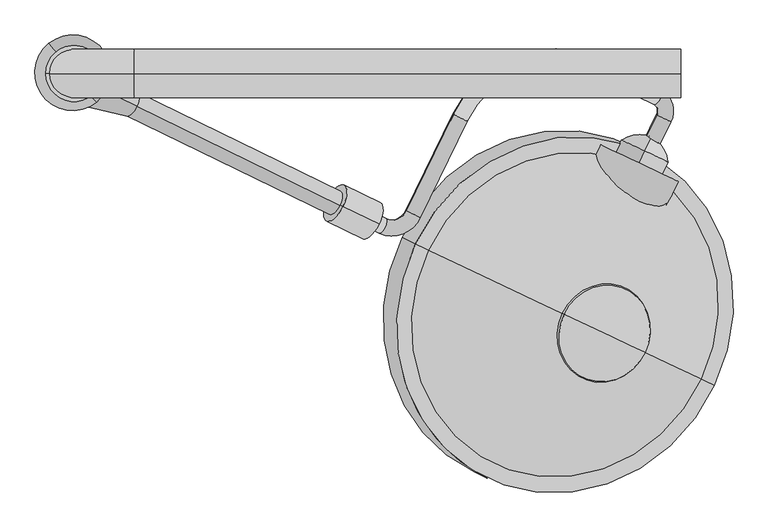
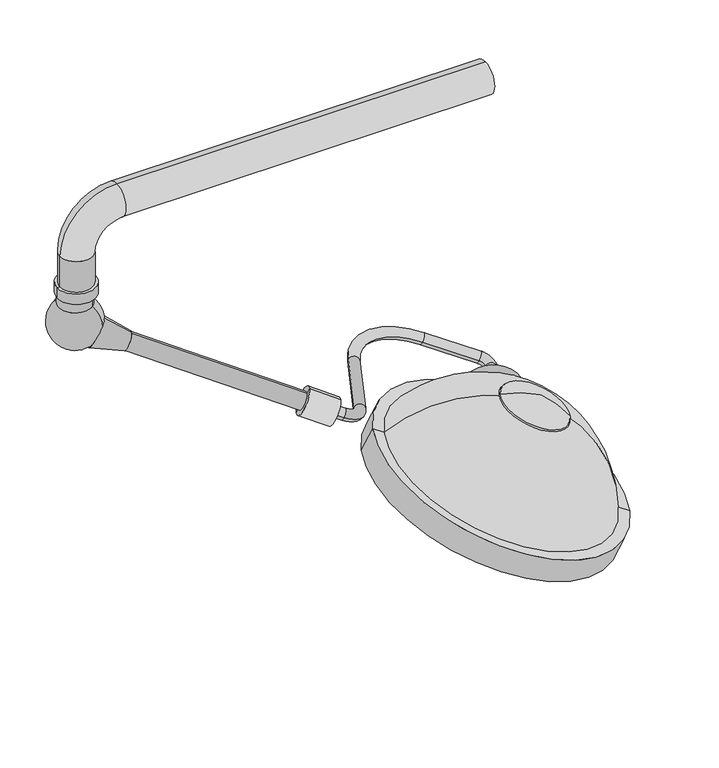
"""IFC4 building model written with IfcOpenShell, lengths in millimetres: proxy geometry."""

from ifc_helpers import new_model, si_unit, point, frame, frame_2d, origin, origin_2d, place, context, project, spatial, polyline, circle_curve, ellipse_curve, trimmed, segment, composite_curve, outline, extrude, source, transform, mapped, element, save
from ifc_brep_helpers import plane_surface, cylinder_surface, revolved_surface, advanced_brep


def specialty_equipment_6a3b879f(model_context):
    return source(origin(), model_context, "Body", "SolidModel", [
        advanced_brep(
        [(-51.3241797, 670.2413617, 1699.7604265), (-72.1798458, 680.4133498, 1710.0915373), (-30.6483179, 712.6331606, 1699.7604265), (-51.503984, 722.8051486, 1710.0915373), (-56.3645035, 739.305827, 1715.2570926), (-45.2298764, 762.1351958, 1715.2570926), (-148.7448243, 812.6228093, 1766.5344952), (-159.8794514, 789.7934405, 1766.5344952), (-351.8212111, 713.8491561, 1828.5211596), (-372.6768772, 724.0211441, 1838.8522704), (-446.9378356, 571.7636159, 1838.8522704), (-426.0821694, 561.5916279, 1828.5211596), (-490.062756, 536.2768664, 1849.1833811), (-478.9281288, 559.1062352, 1849.1833811), (-557.8921303, 597.619552, 1888.2991704), (-569.0267574, 574.7901832, 1888.2991704)],
        [
            (0, 1, circle_curve(frame((-61.7520127, 675.3273558, 1704.9259819), z_axis=(-0.43837114678908723, -0.8987940462991623, 0.0), x_axis=(-0.8210892183528129, 0.40047196991074896, 0.4067366430758003)), 12.7)),
            (1, 0, circle_curve(frame((-61.7520127, 675.3273558, 1704.9259819), z_axis=(-0.43837114678908723, -0.8987940462991623, 0.0), x_axis=(-0.8210892183528129, 0.40047196991074896, 0.4067366430758003)), 12.7)),
            (0, 2),
            (2, 3, circle_curve(frame((-41.0761509, 717.7191546, 1704.9259819), z_axis=(-0.43837114678908723, -0.8987940462991623, 0.0), x_axis=(-0.8210892183528129, 0.40047196991074896, 0.4067366430758003)), 12.7)),
            (3, 1),
            (3, 2, circle_curve(frame((-41.0761509, 717.7191546, 1704.9259819), z_axis=(-0.43837114678908723, -0.8987940462991623, 0.0), x_axis=(-0.8210892183528129, 0.40047196991074896, 0.4067366430758003)), 12.7)),
            (4, 3, circle_curve(frame((-61.9318171, 727.8911427, 1715.2570926), z_axis=(-0.36557247320823727, 0.17830160866628114, -0.9135454576426009), x_axis=(0.8210892183528128, -0.400471969910749, -0.4067366430758004)), 12.7)),
            (2, 5, circle_curve(frame((-61.9318171, 727.8911427, 1715.2570926), z_axis=(0.36557247320823727, -0.17830160866628114, 0.9135454576426009), x_axis=(0.8210892183528128, -0.400471969910749, -0.4067366430758004)), 38.1)),
            (5, 4, circle_curve(frame((-50.79719, 750.7205114, 1715.2570926), z_axis=(0.8210892183528112, -0.4004719699107522, -0.4067366430758003), x_axis=(-0.4383711467890902, -0.8987940462991607, 0.0)), 12.7)),
            (4, 5, circle_curve(frame((-50.79719, 750.7205114, 1715.2570926), z_axis=(0.8210892183528081, -0.40047196991075856, -0.4067366430758003), x_axis=(-0.43837114678909606, -0.8987940462991579, 0.0)), 12.7)),
            (5, 6),
            (6, 7, circle_curve(frame((-154.3121378, 801.2081249, 1766.5344952), z_axis=(0.821089218352813, -0.40047196991074857, -0.40673664307580043), x_axis=(-0.4383711467890869, -0.8987940462991624, 0.0)), 12.7)),
            (7, 4),
            (7, 6, circle_curve(frame((-154.3121378, 801.2081249, 1766.5344952), z_axis=(0.821089218352813, -0.40047196991074857, -0.40673664307580043), x_axis=(-0.4383711467890869, -0.8987940462991624, 0.0)), 12.7)),
            (8, 7, circle_curve(frame((-226.6872142, 652.8172279, 1766.5344952), z_axis=(-0.36557247320823727, 0.17830160866628114, -0.9135454576426009), x_axis=(0.43837114678909317, 0.8987940462991594, 0.0)), 152.4)),
            (6, 9, circle_curve(frame((-226.6872142, 652.8172279, 1766.5344952), z_axis=(0.36557247320823727, -0.17830160866628114, 0.9135454576426009), x_axis=(0.43837114678909317, 0.8987940462991594, 0.0)), 177.8)),
            (9, 8, circle_curve(frame((-362.2490441, 718.9351501, 1833.686715), z_axis=(0.4383711467890851, 0.8987940462991633, 0.0), x_axis=(0.821089218352814, -0.40047196991074674, -0.40673664307580043)), 12.7)),
            (8, 9, circle_curve(frame((-362.2490441, 718.9351501, 1833.686715), z_axis=(0.4383711467890848, 0.8987940462991635, 0.0), x_axis=(0.8210892183528142, -0.4004719699107463, -0.40673664307580043)), 12.7)),
            (9, 10),
            (10, 11, circle_curve(frame((-436.5100025, 566.6776219, 1833.686715), z_axis=(0.43837114678908545, 0.898794046299163, 0.0), x_axis=(0.8210892183528139, -0.400471969910747, -0.4067366430758005)), 12.7)),
            (11, 8),
            (11, 10, circle_curve(frame((-436.5100025, 566.6776219, 1833.686715), z_axis=(0.43837114678908545, 0.898794046299163, 0.0), x_axis=(0.8210892183528139, -0.400471969910747, -0.4067366430758005)), 12.7)),
            (12, 11, circle_curve(frame((-467.7935017, 581.935604, 1849.1833811), z_axis=(0.36557247320823727, -0.17830160866628114, 0.9135454576426009), x_axis=(0.8210892183528169, -0.4004719699107408, -0.4067366430758004)), 50.8)),
            (10, 13, circle_curve(frame((-467.7935017, 581.935604, 1849.1833811), z_axis=(-0.36557247320823727, 0.17830160866628114, -0.9135454576426009), x_axis=(0.8210892183528169, -0.4004719699107408, -0.4067366430758004)), 25.4)),
            (13, 12, circle_curve(frame((-484.4954424, 547.6915508, 1849.1833811), z_axis=(0.8210892183528147, -0.40047196991074524, -0.4067366430758004), x_axis=(-0.4383711467890839, -0.8987940462991639, 0.0)), 12.7)),
            (12, 13, circle_curve(frame((-484.4954424, 547.6915508, 1849.1833811), z_axis=(0.8210892183528171, -0.40047196991074047, -0.4067366430758004), x_axis=(-0.4383711467890795, -0.898794046299166, 0.0)), 12.7)),
            (14, 15, circle_curve(frame((-563.4594439, 586.2048676, 1888.2991704), z_axis=(-0.821089218352815, 0.40047196991074563, 0.4067366430757997), x_axis=(-0.438371146789084, -0.8987940462991637, 0.0)), 12.7)),
            (15, 14, circle_curve(frame((-563.4594439, 586.2048676, 1888.2991704), z_axis=(-0.821089218352815, 0.40047196991074563, 0.4067366430757997), x_axis=(-0.438371146789084, -0.8987940462991637, 0.0)), 12.7)),
            (13, 14),
            (15, 12),
        ],
        [
            plane_surface(frame((-671.2712366, 972.6097446, 181.7710423), z_axis=(-0.43837114678908734, -0.8987940462991622, 0.0), x_axis=(0.3655724732082375, -0.17830160866628114, 0.9135454576426008))),
            cylinder_surface(frame((-61.7520127, 675.3273558, 1704.9259819), z_axis=(-0.43837114678908723, -0.8987940462991623, 0.0), x_axis=(-0.8210892183528129, 0.40047196991074896, 0.4067366430758003)), 12.7),
            revolved_surface(trimmed(ellipse_curve(frame((-41.0761509, 717.7191546, 1704.9259819), z_axis=(-0.43837114678908723, -0.8987940462991622, 0.0), x_axis=(-0.8210892183528128, 0.4004719699107489, 0.40673664307580043)), 12.7, 12.7), [point((-30.6483179, 712.6331606, 1699.7604265))], [point((-51.503984, 722.8051486, 1710.0915373))], True, "CARTESIAN"), (-671.451041, 1025.1735315, 192.1021531), (0.36557247320823727, -0.17830160866628114, 0.9135454576426009)),
            revolved_surface(trimmed(ellipse_curve(frame((-41.0761509, 717.7191546, 1704.9259819), z_axis=(-0.43837114678908723, -0.8987940462991622, 0.0), x_axis=(-0.8210892183528128, 0.4004719699107489, 0.40673664307580043)), 12.7, 12.7), [point((-51.503984, 722.8051486, 1710.0915373))], [point((-30.6483179, 712.6331606, 1699.7604265))], True, "CARTESIAN"), (-671.451041, 1025.1735315, 192.1021531), (0.36557247320823727, -0.17830160866628114, 0.9135454576426009)),
            cylinder_surface(frame((-50.79719, 750.7205114, 1715.2570926), z_axis=(0.821089218352813, -0.40047196991074857, -0.40673664307580043), x_axis=(-0.4383711467890869, -0.8987940462991624, 0.0)), 12.7),
            revolved_surface(trimmed(ellipse_curve(frame((-154.3121378, 801.2081249, 1766.5344952), z_axis=(0.8210892183528098, -0.40047196991075545, -0.4067366430758005), x_axis=(-0.4383711467890932, -0.8987940462991594, 0.0)), 12.7, 12.7), [point((-148.7448243, 812.6228093, 1766.5344952))], [point((-159.8794514, 789.7934405, 1766.5344952))], True, "CARTESIAN"), (-836.2064381, 950.0996167, 243.3795556), (0.36557247320823727, -0.17830160866628114, 0.9135454576426009)),
            revolved_surface(trimmed(ellipse_curve(frame((-154.3121378, 801.2081249, 1766.5344952), z_axis=(0.8210892183528098, -0.40047196991075545, -0.4067366430758005), x_axis=(-0.4383711467890932, -0.8987940462991594, 0.0)), 12.7, 12.7), [point((-159.8794514, 789.7934405, 1766.5344952))], [point((-148.7448243, 812.6228093, 1766.5344952))], True, "CARTESIAN"), (-836.2064381, 950.0996167, 243.3795556), (0.36557247320823727, -0.17830160866628114, 0.9135454576426009)),
            cylinder_surface(frame((-362.2490441, 718.9351501, 1833.686715), z_axis=(0.43837114678908556, 0.8987940462991633, 0.0), x_axis=(0.8210892183528139, -0.400471969910747, -0.4067366430758005)), 12.7),
            revolved_surface(trimmed(ellipse_curve(frame((-436.5100025, 566.6776219, 1833.686715), z_axis=(0.43837114678907957, 0.898794046299166, 0.0), x_axis=(0.821089218352817, -0.4004719699107405, -0.40673664307580043)), 12.7, 12.7), [point((-446.9378356, 571.7636159, 1838.8522704))], [point((-426.0821694, 561.5916279, 1828.5211596))], True, "CARTESIAN"), (-1077.3127256, 879.2179928, 326.0284415), (-0.36557247320823727, 0.17830160866628114, -0.9135454576426009)),
            revolved_surface(trimmed(ellipse_curve(frame((-436.5100025, 566.6776219, 1833.686715), z_axis=(0.43837114678907957, 0.898794046299166, 0.0), x_axis=(0.821089218352817, -0.4004719699107405, -0.40673664307580043)), 12.7, 12.7), [point((-426.0821694, 561.5916279, 1828.5211596))], [point((-446.9378356, 571.7636159, 1838.8522704))], True, "CARTESIAN"), (-1077.3127256, 879.2179928, 326.0284415), (-0.36557247320823727, 0.17830160866628114, -0.9135454576426009)),
            plane_surface(frame((-1172.9786678, 883.4872565, 365.1442308), z_axis=(-0.821089218352815, 0.40047196991074574, 0.4067366430757996), x_axis=(0.3655724732082366, -0.1783016086662806, 0.9135454576426013))),
            cylinder_surface(frame((-484.4954424, 547.6915508, 1849.1833811), z_axis=(0.8210892183528148, -0.4004719699107455, -0.4067366430757996), x_axis=(-0.438371146789084, -0.8987940462991637, 0.0)), 12.7),
        ],
        [
            (0, [[1, 2]]),
            (1, [[-1, 3, 4, 5]]),
            (1, [[-2, -5, 6, -3]]),
            (2, [[7, -4, 8, 9]]),
            (3, [[-8, -6, -7, 10]]),
            (4, [[-9, 11, 12, 13]]),
            (4, [[-10, -13, 14, -11]]),
            (5, [[15, -12, 16, 17]]),
            (6, [[-16, -14, -15, 18]]),
            (7, [[-17, 19, 20, 21]]),
            (7, [[-18, -21, 22, -19]]),
            (8, [[23, -20, 24, 25]]),
            (9, [[-24, -22, -23, 26]]),
            (10, [[27, 28]]),
            (11, [[-25, 29, -28, 30]]),
            (11, [[-26, -30, -27, -29]]),
        ],
    ),
        advanced_brep(
        [(-70.9853036, 666.0888501, 1662.093259), (-70.9853036, 666.0888501, 1743.3108067), (-79.9012214, 647.2586456, 1743.3108067), (-79.9012214, 647.2586456, 1662.093259), (-59.9841849, 689.3229491, 1702.7020328), (-79.9012214, 647.2586456, 1702.7020328)],
        [
            (0, 1, circle_curve(frame((-70.9853036, 666.0888501, 1702.7020328), z_axis=(-0.4279431442574036, -0.9038056568107367, 0.0), x_axis=(0.0, 0.0, 1.0)), 40.6087738)),
            (1, 2),
            (2, 3, circle_curve(frame((-79.9012214, 647.2586456, 1702.7020328), z_axis=(0.4279431442574036, 0.9038056568107367, 0.0), x_axis=(0.0, 0.0, 1.0)), 40.6087738)),
            (3, 0),
            (1, 0, circle_curve(frame((-70.9853036, 666.0888501, 1702.7020328), z_axis=(-0.4279431442574036, -0.9038056568107367, 0.0), x_axis=(0.0, 0.0, 1.0)), 40.6087738)),
            (3, 2, circle_curve(frame((-79.9012214, 647.2586456, 1702.7020328), z_axis=(0.4279431442574036, 0.9038056568107367, 0.0), x_axis=(0.0, 0.0, 1.0)), 40.6087738)),
            (4, 1, circle_curve(frame((-83.4268503, 639.8126019, 1696.4653606), z_axis=(0.9038056568107367, -0.42794314425740376, 0.0), x_axis=(-0.42794314425740393, -0.9038056568107365, 0.0)), 55.1337385)),
            (0, 4, circle_curve(frame((-83.4268503, 639.8126019, 1708.9387051), z_axis=(0.9038056568107369, -0.4279431442574031, 0.0), x_axis=(-0.42794314425740326, -0.9038056568107368, 0.0)), 55.1337385)),
            (2, 5),
            (5, 3),
        ],
        [
            cylinder_surface(frame((-79.9012214, 647.2586456, 1702.7020328), z_axis=(0.4279431442574036, 0.9038056568107367, 0.0), x_axis=(0.0, 0.0, 1.0)), 40.6087738),
            revolved_surface(trimmed(ellipse_curve(frame((-83.4268503, 639.8126019, 1696.4653606), z_axis=(-0.9038056568107367, 0.42794314425740376, 0.0), x_axis=(-0.42794314425740393, -0.9038056568107365, 0.0)), 55.1337385, 55.1337385), [point((-70.9853036, 666.0888501, 1743.3108067))], [point((-59.9841849, 689.3229491, 1702.7020328))], True, "CARTESIAN"), (-79.9012214, 647.2586456, 1702.7020328), (0.4279431442574036, 0.9038056568107367, 0.0)),
            revolved_surface(trimmed(ellipse_curve(frame((-83.4268503, 639.8126019, 1696.4653606), z_axis=(-0.9038056568107365, 0.42794314425740393, 0.0), x_axis=(-0.4279431442574041, -0.9038056568107364, 0.0)), 55.1337385, 55.1337385), [point((-70.9853036, 666.0888501, 1743.3108067))], [point((-59.9841849, 689.3229491, 1702.7020328))], True, "CARTESIAN"), (-79.9012214, 647.2586456, 1702.7020328), (0.4279431442574036, 0.9038056568107367, 0.0)),
            plane_surface(frame((-79.9012214, 647.2586456, 1702.7020328), z_axis=(-0.42794314425740343, -0.9038056568107368, 0.0), x_axis=(0.0, 0.0, 1.0))),
        ],
        [
            (0, [[1, 2, 3, 4]]),
            (0, [[5, -4, 6, -2]]),
            (1, [[7, -1, 8]]),
            (2, [[-8, -5, -7]]),
            (3, [[-3, 9, 10]]),
            (3, [[-6, -10, -9]]),
        ],
    ),
        advanced_brep(
        [(-198.2891405, 408.2286063, 1882.6946884), (-70.3964825, 347.6726828, 1819.6927814), (-123.8504881, 372.982632, 1877.268084), (-200.9060117, 409.4676693, 1880.0876662), (-70.3964825, 347.6726828, 1815.7966478), (-129.8474904, 375.822154, 1862.3650044)],
        [
            (0, 1, circle_curve(frame((-134.3428115, 377.9506446, 1851.1937349), z_axis=(0.3676108788441171, -0.17406015792255894, 0.9135454576426013), x_axis=(0.8256675523711364, -0.3909455155656434, -0.4067366430757995)), 77.4480344)),
            (1, 2, circle_curve(frame((-222.0261973, 419.4678707, 1706.5205002), z_axis=(-0.42794314425740376, -0.9038056568107369, 0.0), x_axis=(-0.9038056568107369, 0.4279431442574038, 0.0)), 202.3711557)),
            (2, 0, circle_curve(frame((-172.8421817, 396.1797201, 1682.2916913), z_axis=(-0.427943144257401, -0.9038056568107382, 0.0), x_axis=(0.604764027172337, -0.2863498556040709, -0.7431448254773931)), 202.3711557)),
            (1, 0, circle_curve(frame((-134.3428115, 377.9506446, 1851.1937349), z_axis=(0.3676108788441171, -0.17406015792255894, 0.9135454576426013), x_axis=(0.8256675523711364, -0.3909455155656434, -0.4067366430757995)), 77.4480344)),
            (3, 4, circle_curve(frame((-135.6512471, 378.5701761, 1847.942157), z_axis=(0.3676108788441171, -0.17406015792255894, 0.9135454576426013), x_axis=(0.8256675523711364, -0.3909455155656434, -0.4067366430757995)), 79.0327347)),
            (4, 1),
            (0, 3),
            (4, 3, circle_curve(frame((-135.6512471, 378.5701761, 1847.942157), z_axis=(0.3676108788441171, -0.17406015792255894, 0.9135454576426013), x_axis=(0.8256675523711364, -0.3909455155656434, -0.4067366430757995)), 79.0327347)),
            (5, 4, circle_curve(frame((-246.9439851, 431.2661997, 1609.6195886), z_axis=(0.42794314425740376, 0.9038056568107369, 0.0), x_axis=(-0.9038056568107369, 0.4279431442574038, 0.0)), 284.0173877)),
            (3, 5, circle_curve(frame((-221.2532479, 419.1018867, 1596.9639329), z_axis=(0.427943144257401, 0.9038056568107382, 0.0), x_axis=(0.604764027172337, -0.2863498556040709, -0.7431448254773931)), 284.0173877)),
        ],
        [
            revolved_surface(trimmed(ellipse_curve(frame((-222.0261973, 419.4678707, 1706.5205002), z_axis=(0.42794314425740376, 0.9038056568107369, 0.0), x_axis=(-0.9038056568107369, 0.4279431442574038, 0.0)), 202.3711557, 202.3711557), [point((-123.8504881, 372.982632, 1877.268084))], [point((-70.3964825, 347.6726828, 1819.6927814))], True, "CARTESIAN"), (-169.8512246, 394.7635311, 1762.9521965), (-0.3676108788441171, 0.17406015792255894, -0.9135454576426013)),
            revolved_surface(trimmed(ellipse_curve(frame((-222.0261973, 419.4678707, 1706.5205002), z_axis=(0.42794314425740376, 0.9038056568107369, 0.0), x_axis=(-0.9038056568107369, 0.42794314425740376, 0.0)), 202.3711557, 202.3711557), [point((-123.8504881, 372.982632, 1877.268084))], [point((-70.3964825, 347.6726828, 1819.6927814))], True, "CARTESIAN"), (-169.8512246, 394.7635311, 1762.9521965), (-0.3676108788441171, 0.17406015792255894, -0.9135454576426013)),
            revolved_surface(polyline([(-70.3964825, 347.6726828, 1819.6927814), (-70.3964825, 347.6726828, 1815.7966478)]), (-169.8512246, 394.7635311, 1762.9521965), (-0.3676108788441171, 0.17406015792255894, -0.9135454576426013)),
            revolved_surface(trimmed(ellipse_curve(frame((-246.9439851, 431.2661997, 1609.6195886), z_axis=(-0.42794314425740376, -0.9038056568107369, 0.0), x_axis=(-0.9038056568107369, 0.4279431442574038, 0.0)), 284.0173877, 284.0173877), [point((-70.3964825, 347.6726828, 1815.7966478))], [point((-129.8474904, 375.822154, 1862.3650044))], True, "CARTESIAN"), (-169.8512246, 394.7635311, 1762.9521965), (-0.3676108788441171, 0.17406015792255894, -0.9135454576426013)),
            revolved_surface(trimmed(ellipse_curve(frame((-246.9439851, 431.2661997, 1609.6195886), z_axis=(-0.42794314425740376, -0.9038056568107369, 0.0), x_axis=(-0.9038056568107369, 0.42794314425740376, 0.0)), 284.0173877, 284.0173877), [point((-70.3964825, 347.6726828, 1815.7966478))], [point((-129.8474904, 375.822154, 1862.3650044))], True, "CARTESIAN"), (-169.8512246, 394.7635311, 1762.9521965), (-0.3676108788441171, 0.17406015792255894, -0.9135454576426013)),
        ],
        [
            (0, [[1, 2, 3]]),
            (1, [[4, -3, -2]]),
            (2, [[5, 6, -1, 7]]),
            (2, [[8, -7, -4, -6]]),
            (3, [[9, -5, 10]]),
            (4, [[-10, -8, -9]]),
        ],
    ),
        advanced_brep(
        [(-266.4821549, 440.5173321, 1522.8158117), (-276.9681328, 445.4823401, 1527.9813671), (-255.996177, 435.552324, 1517.6502563), (-263.0629437, 438.898369, 1507.6425198), (-278.9613242, 446.4260968, 1515.4743086), (-271.0121339, 442.6622329, 1511.5584142)],
        [
            (0, 1),
            (1, 2, circle_curve(frame((-266.4821549, 440.5173321, 1522.8158117), z_axis=(0.36761087884411703, -0.17406015792255897, 0.9135454576426013), x_axis=(-0.8256675523711364, 0.3909455155656434, 0.40673664307579943)), 12.7)),
            (2, 0),
            (2, 1, circle_curve(frame((-266.4821549, 440.5173321, 1522.8158117), z_axis=(0.36761087884411703, -0.17406015792255897, 0.9135454576426013), x_axis=(-0.8256675523711364, 0.3909455155656434, 0.40673664307579943)), 12.7)),
            (3, 4, circle_curve(frame((-271.0121339, 442.6622329, 1511.5584142), z_axis=(-0.36761087884411703, 0.17406015792255897, -0.9135454576426013), x_axis=(-0.8256675523711364, 0.3909455155656434, 0.40673664307579943)), 9.6275919)),
            (4, 5),
            (5, 3),
            (4, 3, circle_curve(frame((-271.0121339, 442.6622329, 1511.5584142), z_axis=(-0.36761087884411703, 0.17406015792255897, -0.9135454576426013), x_axis=(-0.8256675523711364, 0.3909455155656434, 0.40673664307579943)), 9.6275919)),
            (1, 4),
            (3, 2),
        ],
        [
            plane_surface(frame((-266.4821549, 440.5173321, 1522.8158117), z_axis=(0.36761087884411714, -0.1740601579225589, 0.9135454576426014), x_axis=(-0.8256675523711364, 0.3909455155656434, 0.40673664307579943))),
            plane_surface(frame((-271.0121339, 442.6622329, 1511.5584142), z_axis=(-0.36761087884411714, 0.1740601579225589, -0.9135454576426014), x_axis=(-0.8256675523711364, 0.3909455155656434, 0.40673664307579943))),
            revolved_surface(polyline([(-278.9613242, 446.4260968, 1515.4743086), (-276.9681328, 445.4823401, 1527.9813671)]), (-229.1328896, 422.83282, 1615.6320302), (0.36761087884411703, -0.17406015792255897, 0.9135454576426013)),
        ],
        [
            (0, [[1, 2, 3]]),
            (0, [[-3, 4, -1]]),
            (1, [[5, 6, 7]]),
            (1, [[8, -7, -6]]),
            (2, [[-2, 9, -5, 10]]),
            (2, [[-4, -10, -8, -9]]),
        ],
    ),
        advanced_brep(
        [(-229.1328896, 422.83282, 1615.6320302), (-244.8618565, 430.2803321, 1623.3803632), (-213.4039227, 415.385308, 1607.8836971), (-250.753188, 433.06982, 1515.0674786), (-282.2111217, 447.9648442, 1530.5641447), (-266.4821549, 440.5173321, 1522.8158117)],
        [
            (0, 1),
            (1, 2, circle_curve(frame((-229.1328896, 422.83282, 1615.6320302), z_axis=(0.36761087884411703, -0.17406015792255897, 0.9135454576426013), x_axis=(-0.8256675523711364, 0.3909455155656434, 0.40673664307579943)), 19.05)),
            (2, 0),
            (2, 1, circle_curve(frame((-229.1328896, 422.83282, 1615.6320302), z_axis=(0.36761087884411703, -0.17406015792255897, 0.9135454576426013), x_axis=(-0.8256675523711364, 0.3909455155656434, 0.40673664307579943)), 19.05)),
            (3, 4, circle_curve(frame((-266.4821549, 440.5173321, 1522.8158117), z_axis=(-0.36761087884411703, 0.17406015792255897, -0.9135454576426013), x_axis=(-0.8256675523711364, 0.3909455155656434, 0.40673664307579943)), 19.05)),
            (4, 5),
            (5, 3),
            (4, 3, circle_curve(frame((-266.4821549, 440.5173321, 1522.8158117), z_axis=(-0.36761087884411703, 0.17406015792255897, -0.9135454576426013), x_axis=(-0.8256675523711364, 0.3909455155656434, 0.40673664307579943)), 19.05)),
            (1, 4),
            (3, 2),
        ],
        [
            plane_surface(frame((-229.1328896, 422.83282, 1615.6320302), z_axis=(0.36761087884411714, -0.1740601579225589, 0.9135454576426014), x_axis=(-0.8256675523711364, 0.3909455155656434, 0.40673664307579943))),
            plane_surface(frame((-266.4821549, 440.5173321, 1522.8158117), z_axis=(-0.36761087884411714, 0.1740601579225589, -0.9135454576426014), x_axis=(-0.8256675523711364, 0.3909455155656434, 0.40673664307579943))),
            cylinder_surface(frame((-229.1328896, 422.83282, 1615.6320302), z_axis=(0.36761087884411703, -0.17406015792255897, 0.9135454576426013), x_axis=(-0.8256675523711364, 0.3909455155656434, 0.40673664307579943)), 19.05),
        ],
        [
            (0, [[1, 2, 3]]),
            (0, [[-3, 4, -1]]),
            (1, [[5, 6, 7]]),
            (1, [[8, -7, -6]]),
            (2, [[-2, 9, -5, 10]]),
            (2, [[-4, -10, -8, -9]]),
        ],
    ),
        advanced_brep(
        [(-222.1299023, 419.516974, 1633.0350712), (-258.830825, 436.8945022, 1651.1145149), (-185.4289796, 402.1394459, 1614.9556274), (-192.4319669, 405.4552919, 1597.5525864), (-265.8338123, 440.2103482, 1633.711474), (-229.1328896, 422.83282, 1615.6320302)],
        [
            (0, 1),
            (1, 2, circle_curve(frame((-222.1299023, 419.516974, 1633.0350712), z_axis=(0.3676108788441165, -0.1740601579225587, 0.9135454576426016), x_axis=(-0.8256675523711366, 0.3909455155656435, 0.4067366430757988)), 44.45)),
            (2, 0),
            (2, 1, circle_curve(frame((-222.1299023, 419.516974, 1633.0350712), z_axis=(0.3676108788441165, -0.1740601579225587, 0.9135454576426016), x_axis=(-0.8256675523711366, 0.3909455155656435, 0.4067366430757988)), 44.45)),
            (3, 4, circle_curve(frame((-229.1328896, 422.83282, 1615.6320302), z_axis=(-0.3676108788441165, 0.1740601579225587, -0.9135454576426016), x_axis=(-0.8256675523711366, 0.3909455155656435, 0.4067366430757988)), 44.45)),
            (4, 5),
            (5, 3),
            (4, 3, circle_curve(frame((-229.1328896, 422.83282, 1615.6320302), z_axis=(-0.3676108788441165, 0.1740601579225587, -0.9135454576426016), x_axis=(-0.8256675523711366, 0.3909455155656435, 0.4067366430757988)), 44.45)),
            (1, 4),
            (3, 2),
        ],
        [
            plane_surface(frame((-222.1299023, 419.516974, 1633.0350712), z_axis=(0.3676108788441166, -0.17406015792255863, 0.9135454576426016), x_axis=(-0.8256675523711366, 0.3909455155656435, 0.4067366430757988))),
            plane_surface(frame((-229.1328896, 422.83282, 1615.6320302), z_axis=(-0.3676108788441166, 0.17406015792255863, -0.9135454576426016), x_axis=(-0.8256675523711366, 0.3909455155656435, 0.4067366430757988))),
            cylinder_surface(frame((-222.1299023, 419.516974, 1633.0350712), z_axis=(0.3676108788441165, -0.1740601579225587, 0.9135454576426016), x_axis=(-0.8256675523711366, 0.3909455155656435, 0.4067366430757988)), 44.45),
        ],
        [
            (0, [[1, 2, 3]]),
            (0, [[-3, 4, -1]]),
            (1, [[5, 6, 7]]),
            (1, [[8, -7, -6]]),
            (2, [[-2, 9, -5, 10]]),
            (2, [[-4, -10, -8, -9]]),
        ],
    ),
        advanced_brep(
        [(-217.8648709, 417.4975233, 1643.6340505), (-265.0517715, 439.8400595, 1666.8790497), (-170.6779703, 395.1549871, 1620.3890514), (-179.2080332, 399.1938885, 1611.8910927), (-265.0517715, 439.8400595, 1654.1790497), (-222.1299023, 419.516974, 1633.0350712)],
        [
            (0, 1),
            (1, 2, circle_curve(frame((-217.8648709, 417.4975233, 1643.6340505), z_axis=(0.36761087884411725, -0.17406015792255908, 0.9135454576426012), x_axis=(-0.8256675523711363, 0.39094551556564333, 0.4067366430757997)), 57.15)),
            (2, 0),
            (2, 1, circle_curve(frame((-217.8648709, 417.4975233, 1643.6340505), z_axis=(0.36761087884411725, -0.17406015792255908, 0.9135454576426012), x_axis=(-0.8256675523711363, 0.39094551556564333, 0.4067366430757997)), 57.15)),
            (3, 4, circle_curve(frame((-222.1299023, 419.516974, 1633.0350712), z_axis=(-0.36761087884411725, 0.17406015792255908, -0.9135454576426012), x_axis=(-0.8256675523711363, 0.39094551556564333, 0.4067366430757997)), 51.9844446)),
            (4, 5),
            (5, 3),
            (4, 3, circle_curve(frame((-222.1299023, 419.516974, 1633.0350712), z_axis=(-0.36761087884411725, 0.17406015792255908, -0.9135454576426012), x_axis=(-0.8256675523711363, 0.39094551556564333, 0.4067366430757997)), 51.9844446)),
            (1, 4),
            (3, 2),
        ],
        [
            plane_surface(frame((-217.8648709, 417.4975233, 1643.6340505), z_axis=(0.36761087884411736, -0.17406015792255902, 0.9135454576426013), x_axis=(-0.8256675523711363, 0.39094551556564333, 0.4067366430757997))),
            plane_surface(frame((-222.1299023, 419.516974, 1633.0350712), z_axis=(-0.36761087884411736, 0.17406015792255902, -0.9135454576426013), x_axis=(-0.8256675523711363, 0.39094551556564333, 0.4067366430757997))),
            revolved_surface(polyline([(-265.0517715, 439.8400595, 1654.1790497), (-265.0517715, 439.8400595, 1666.8790497)]), (-217.8648709, 417.4975233, 1643.6340505), (0.36761087884411725, -0.17406015792255908, 0.9135454576426012)),
        ],
        [
            (0, [[1, 2, 3]]),
            (0, [[-3, 4, -1]]),
            (1, [[5, 6, 7]]),
            (1, [[8, -7, -6]]),
            (2, [[-2, 9, -5, 10]]),
            (2, [[-4, -10, -8, -9]]),
        ],
    ),
        extrude(outline(composite_curve([segment(polyline([(-25.1937137, -4.6953206), (31.6273953, -132.3176211)]), True, "CONTINUOUS"), segment(trimmed(circle_curve(frame_2d((0.0, -69.9387006)), 69.9387006), [point((31.6273953, -132.3176211))], [point((-25.1937137, -4.6953206))], False, "CARTESIAN"), True, "CONTINUOUS")], self_intersect=False)), frame((-180.69854, 601.7570747, 1699.0600142), z_axis=(0.42794314425740343, 0.9038056568107368, 0.0), x_axis=(0.0, 0.0, -1.0)), (0.0, 0.0, 1.0), 84.2600986),
        advanced_brep(
        [(-411.8184564, 509.3326503, 1801.7370584), (18.1066381, 305.7673203, 1589.9492884), (-129.8408016, 375.8189869, 1862.3816266), (-406.0906916, 506.6206096, 1798.9154726), (12.3788733, 308.479361, 1592.7708742), (-132.17953, 376.9263519, 1856.5696802)],
        [
            (0, 1, circle_curve(frame((-196.8559092, 407.5499853, 1695.8431734), z_axis=(0.3676108788441172, -0.17406015792255902, 0.9135454576426013), x_axis=(0.8256675523711364, -0.3909455155656434, -0.4067366430757996)), 260.35)),
            (1, 2, circle_curve(frame((-256.5953432, 435.8360234, 1592.718951), z_axis=(-0.4279431442574038, -0.9038056568107369, 0.0), x_axis=(-0.9038056568107368, 0.4279431442574038, 0.0)), 303.9518334)),
            (2, 0, circle_curve(frame((-226.1466857, 421.4188817, 1577.7194701), z_axis=(-0.42794314425740104, -0.9038056568107381, 0.0), x_axis=(0.6047640271723369, -0.28634985560407084, -0.7431448254773931)), 303.9518334)),
            (1, 0, circle_curve(frame((-196.8559092, 407.5499853, 1695.8431734), z_axis=(0.3676108788441172, -0.17406015792255902, 0.9135454576426013), x_axis=(0.8256675523711364, -0.3909455155656434, -0.4067366430757996)), 260.35)),
            (3, 4, circle_curve(frame((-196.8559092, 407.5499853, 1695.8431734), z_axis=(0.3676108788441172, -0.17406015792255902, 0.9135454576426013), x_axis=(0.8256675523711364, -0.3909455155656434, -0.4067366430757996)), 253.412868)),
            (4, 1),
            (0, 3),
            (4, 3, circle_curve(frame((-196.8559092, 407.5499853, 1695.8431734), z_axis=(0.3676108788441172, -0.17406015792255902, 0.9135454576426013), x_axis=(0.8256675523711364, -0.3909455155656434, -0.4067366430757996)), 253.412868)),
            (5, 4, circle_curve(frame((-256.5953432, 435.8360234, 1592.718951), z_axis=(0.4279431442574038, 0.9038056568107369, 0.0), x_axis=(-0.9038056568107368, 0.4279431442574038, 0.0)), 297.6018334)),
            (3, 5, circle_curve(frame((-226.1466857, 421.4188817, 1577.7194701), z_axis=(0.42794314425740104, 0.9038056568107381, 0.0), x_axis=(0.6047640271723369, -0.28634985560407084, -0.7431448254773931)), 297.6018334)),
        ],
        [
            revolved_surface(trimmed(ellipse_curve(frame((-256.5953432, 435.8360234, 1592.718951), z_axis=(0.4279431442574038, 0.9038056568107369, 0.0), x_axis=(-0.9038056568107368, 0.4279431442574038, 0.0)), 303.9518334, 303.9518334), [point((-129.8408016, 375.8189869, 1862.3816266))], [point((18.1066381, 305.7673203, 1589.9492884))], True, "CARTESIAN"), (-196.8559092, 407.5499853, 1695.8431734), (-0.3676108788441172, 0.17406015792255902, -0.9135454576426013)),
            revolved_surface(trimmed(ellipse_curve(frame((-256.5953432, 435.8360234, 1592.718951), z_axis=(0.4279431442574037, 0.9038056568107367, 0.0), x_axis=(-0.9038056568107368, 0.42794314425740376, 0.0)), 303.9518334, 303.9518334), [point((-129.8408016, 375.8189869, 1862.3816266))], [point((18.1066381, 305.7673203, 1589.9492884))], True, "CARTESIAN"), (-196.8559092, 407.5499853, 1695.8431734), (-0.3676108788441172, 0.17406015792255902, -0.9135454576426013)),
            plane_surface(frame((-196.8559092, 407.5499853, 1695.8431734), z_axis=(-0.3676108788441172, 0.17406015792255894, -0.9135454576426013), x_axis=(0.8256675523711363, -0.39094551556564333, -0.40673664307579954))),
            revolved_surface(trimmed(ellipse_curve(frame((-256.5953432, 435.8360234, 1592.718951), z_axis=(-0.4279431442574038, -0.9038056568107369, 0.0), x_axis=(-0.9038056568107368, 0.4279431442574038, 0.0)), 297.6018334, 297.6018334), [point((12.3788733, 308.479361, 1592.7708742))], [point((-132.17953, 376.9263519, 1856.5696802))], True, "CARTESIAN"), (-196.8559092, 407.5499853, 1695.8431734), (-0.3676108788441172, 0.17406015792255902, -0.9135454576426013)),
            revolved_surface(trimmed(ellipse_curve(frame((-256.5953432, 435.8360234, 1592.718951), z_axis=(-0.4279431442574037, -0.9038056568107367, 0.0), x_axis=(-0.9038056568107368, 0.42794314425740376, 0.0)), 297.6018334, 297.6018334), [point((12.3788733, 308.479361, 1592.7708742))], [point((-132.17953, 376.9263519, 1856.5696802))], True, "CARTESIAN"), (-196.8559092, 407.5499853, 1695.8431734), (-0.3676108788441172, 0.17406015792255902, -0.9135454576426013)),
        ],
        [
            (0, [[1, 2, 3]]),
            (1, [[4, -3, -2]]),
            (2, [[5, 6, -1, 7]]),
            (2, [[8, -7, -4, -6]]),
            (3, [[9, -5, 10]]),
            (4, [[-10, -8, -9]]),
        ],
    ),
        advanced_brep(
        [(-453.799374, 529.2102044, 1759.8590463), (18.0696322, 305.7848423, 1527.4090547), (39.0785939, 295.8373042, 1579.6181777), (-432.7904123, 519.2626664, 1812.0681692), (-448.556385, 526.7277004, 1757.2762686), (12.8266432, 308.2673463, 1529.9918324), (-429.8817524, 517.8854444, 1803.6843778), (31.5012759, 299.4250903, 1576.3999417), (-199.1902382, 408.6552673, 1690.0421598), (-196.8559092, 407.5499853, 1695.8431734)],
        [
            (0, 1, circle_curve(frame((-217.8648709, 417.4975233, 1643.6340505), z_axis=(0.3676108788441169, -0.17406015792255886, 0.9135454576426014), x_axis=(0.8256675523711365, -0.39094551556564344, -0.40673664307579926)), 285.75)),
            (1, 2),
            (2, 3, circle_curve(frame((-196.8559092, 407.5499853, 1695.8431734), z_axis=(-0.3676108788441169, 0.17406015792255886, -0.9135454576426014), x_axis=(0.8256675523711365, -0.39094551556564344, -0.40673664307579926)), 285.75)),
            (3, 0),
            (1, 0, circle_curve(frame((-217.8648709, 417.4975233, 1643.6340505), z_axis=(0.3676108788441169, -0.17406015792255886, 0.9135454576426014), x_axis=(0.8256675523711365, -0.39094551556564344, -0.40673664307579926)), 285.75)),
            (3, 2, circle_curve(frame((-196.8559092, 407.5499853, 1695.8431734), z_axis=(-0.3676108788441169, 0.17406015792255886, -0.9135454576426014), x_axis=(0.8256675523711365, -0.39094551556564344, -0.40673664307579926)), 285.75)),
            (4, 5, circle_curve(frame((-217.8648709, 417.4975233, 1643.6340505), z_axis=(0.3676108788441169, -0.17406015792255886, 0.9135454576426014), x_axis=(0.8256675523711365, -0.39094551556564344, -0.40673664307579926)), 279.4)),
            (5, 1),
            (0, 4),
            (5, 4, circle_curve(frame((-217.8648709, 417.4975233, 1643.6340505), z_axis=(0.3676108788441169, -0.17406015792255886, 0.9135454576426014), x_axis=(0.8256675523711365, -0.39094551556564344, -0.40673664307579926)), 279.4)),
            (6, 7, circle_curve(frame((-199.1902382, 408.6552673, 1690.0421598), z_axis=(0.3676108788441169, -0.17406015792255886, 0.9135454576426014), x_axis=(0.8256675523711365, -0.39094551556564344, -0.40673664307579926)), 279.4)),
            (7, 5),
            (4, 6),
            (7, 6, circle_curve(frame((-199.1902382, 408.6552673, 1690.0421598), z_axis=(0.3676108788441169, -0.17406015792255886, 0.9135454576426014), x_axis=(0.8256675523711365, -0.39094551556564344, -0.40673664307579926)), 279.4)),
            (8, 7),
            (6, 8),
            (2, 9),
            (9, 3),
        ],
        [
            cylinder_surface(frame((-217.8648709, 417.4975233, 1643.6340505), z_axis=(-0.3676108788441169, 0.17406015792255886, -0.9135454576426014), x_axis=(0.8256675523711365, -0.39094551556564344, -0.40673664307579926)), 285.75),
            plane_surface(frame((-217.8648709, 417.4975233, 1643.6340505), z_axis=(-0.3676108788441169, 0.1740601579225588, -0.9135454576426014), x_axis=(0.8256675523711364, -0.3909455155656434, -0.4067366430757992))),
            revolved_surface(polyline([(12.826643216697537, 308.26734625843943, 1529.9918323853624), (31.50127590111487, 299.42509021744286, 1576.3999417308635)]), (-217.8648709, 417.4975233, 1643.6340505), (-0.3676108788441169, 0.17406015792255886, -0.9135454576426014)),
            plane_surface(frame((-199.1902382, 408.6552673, 1690.0421598), z_axis=(-0.3676108788441169, 0.1740601579225588, -0.9135454576426014), x_axis=(0.8256675523711364, -0.3909455155656434, -0.4067366430757992))),
            plane_surface(frame((-196.8559092, 407.5499853, 1695.8431734), z_axis=(0.3676108788441169, -0.1740601579225588, 0.9135454576426014), x_axis=(0.8256675523711364, -0.3909455155656434, -0.4067366430757992))),
        ],
        [
            (0, [[1, 2, 3, 4]]),
            (0, [[5, -4, 6, -2]]),
            (1, [[7, 8, -1, 9]]),
            (1, [[10, -9, -5, -8]]),
            (2, [[11, 12, -7, 13]]),
            (2, [[14, -13, -10, -12]]),
            (3, [[15, -11, 16]]),
            (3, [[-16, -14, -15]]),
            (4, [[-3, 17, 18]]),
            (4, [[-6, -18, -17]]),
        ],
    ),
        advanced_brep(
        [(-571.2157425, 589.9878672, 1857.3919398), (-547.0954721, 578.2236253, 1914.9424843), (-559.1556073, 584.1057463, 1886.167212), (-514.3170471, 562.2365192, 1827.8720542), (-490.1967767, 550.4722773, 1885.4225987), (-502.2569119, 556.3543983, 1856.6473264)],
        [
            (0, 1, circle_curve(frame((-559.1556073, 584.1057463, 1886.167212), z_axis=(-0.8145840431031117, 0.3972991839471335, 0.42261826174069883), x_axis=(0.37984677750984175, -0.18526365205327952, 0.9063077870366504)), 31.75)),
            (1, 2),
            (2, 0),
            (1, 0, circle_curve(frame((-559.1556073, 584.1057463, 1886.167212), z_axis=(-0.8145840431031117, 0.3972991839471335, 0.42261826174069883), x_axis=(0.37984677750984175, -0.18526365205327952, 0.9063077870366504)), 31.75)),
            (3, 4, circle_curve(frame((-502.2569119, 556.3543983, 1856.6473264), z_axis=(-0.8145840431031117, 0.3972991839471335, 0.42261826174069883), x_axis=(0.37984677750984175, -0.18526365205327952, 0.9063077870366504)), 31.75)),
            (4, 1),
            (0, 3),
            (4, 3, circle_curve(frame((-502.2569119, 556.3543983, 1856.6473264), z_axis=(-0.8145840431031117, 0.3972991839471335, 0.42261826174069883), x_axis=(0.37984677750984175, -0.18526365205327952, 0.9063077870366504)), 31.75)),
            (5, 4),
            (3, 5),
        ],
        [
            plane_surface(frame((-559.1556073, 584.1057463, 1886.167212), z_axis=(-0.8145840431031117, 0.3972991839471334, 0.42261826174069883), x_axis=(0.37984677750984175, -0.18526365205327952, 0.9063077870366504))),
            cylinder_surface(frame((-559.1556073, 584.1057463, 1886.167212), z_axis=(0.8145840431031117, -0.3972991839471335, -0.42261826174069883), x_axis=(0.37984677750984175, -0.18526365205327952, 0.9063077870366504)), 31.75),
            plane_surface(frame((-502.2569119, 556.3543983, 1856.6473264), z_axis=(0.8145840431031117, -0.3972991839471334, -0.42261826174069883), x_axis=(0.37984677750984175, -0.18526365205327952, 0.9063077870366504))),
        ],
        [
            (0, [[1, 2, 3]]),
            (0, [[4, -3, -2]]),
            (1, [[5, 6, -1, 7]]),
            (1, [[8, -7, -4, -6]]),
            (2, [[9, -5, 10]]),
            (2, [[-10, -8, -9]]),
        ],
    ),
        extrude(outline(composite_curve([segment(trimmed(circle_curve(origin_2d(), 20.2288163), [point((0.0, -20.2288164))], [point((0.0, 20.2288163))], False, "CARTESIAN"), True, "CONTINUOUS"), segment(trimmed(circle_curve(origin_2d(), 20.2288163), [point((0.0, 20.2288163))], [point((0.0, -20.2288164))], False, "CARTESIAN"), True, "CONTINUOUS")], self_intersect=False)), frame((-559.1556073, 584.1057463, 1886.167212), z_axis=(-0.8145840431031119, 0.39729918394713354, 0.4226182617406987), x_axis=(0.4383711467890842, 0.8987940462991637, 0.0)), (0.0, 0.0, 1.0), 393.7),
        advanced_brep(
        [(-940.9549717, 770.3217386, 2081.4066897), (-953.8120625, 776.5925608, 2047.7066358), (-928.0978809, 764.0509164, 2115.1067436), (-872.3231351, 736.8477552, 2072.3001347), (-887.391555, 744.1971147, 2032.8039086), (-879.8573451, 740.522435, 2052.5520217)],
        [
            (0, 1),
            (1, 2, circle_curve(frame((-940.9549717, 770.3217386, 2081.4066897), z_axis=(-0.8273442818725376, 0.40352276823286415, 0.39073112848927416), x_axis=(-0.3511868119899131, 0.1712852528820361, -0.9205048534524402)), 36.6104033)),
            (2, 0),
            (2, 1, circle_curve(frame((-940.9549717, 770.3217386, 2081.4066897), z_axis=(-0.8273442818725376, 0.40352276823286415, 0.39073112848927416), x_axis=(-0.3511868119899131, 0.1712852528820361, -0.9205048534524402)), 36.6104033)),
            (3, 4, circle_curve(frame((-879.8573451, 740.522435, 2052.5520217), z_axis=(0.8273442818725376, -0.40352276823286415, -0.39073112848927416), x_axis=(-0.3511868119899131, 0.1712852528820361, -0.9205048534524402)), 21.4535676)),
            (4, 5),
            (5, 3),
            (4, 3, circle_curve(frame((-879.8573451, 740.522435, 2052.5520217), z_axis=(0.8273442818725376, -0.40352276823286415, -0.39073112848927416), x_axis=(-0.3511868119899131, 0.1712852528820361, -0.9205048534524402)), 21.4535676)),
            (1, 4),
            (3, 2),
        ],
        [
            plane_surface(frame((-940.9549717, 770.3217386, 2081.4066897), z_axis=(-0.8273442818725375, 0.40352276823286404, 0.39073112848927416), x_axis=(-0.35118681198991314, 0.17128525288203614, -0.9205048534524403))),
            plane_surface(frame((-879.8573451, 740.522435, 2052.5520217), z_axis=(0.8273442818725375, -0.40352276823286404, -0.39073112848927416), x_axis=(-0.35118681198991314, 0.17128525288203614, -0.9205048534524403))),
            revolved_surface(polyline([(-887.391555, 744.1971147, 2032.8039086), (-953.8120625, 776.5925608, 2047.7066358)]), (-921.8864346, 761.0213916, 2072.401163), (-0.8273442818725374, 0.40352276823286404, 0.39073112848927405)),
        ],
        [
            (0, [[1, 2, 3]]),
            (0, [[-3, 4, -1]]),
            (1, [[5, 6, 7]]),
            (1, [[8, -7, -6]]),
            (2, [[-2, 9, -5, 10]]),
            (2, [[-4, -10, -8, -9]]),
        ],
    ),
        advanced_brep(
        [(-973.5341458, 789.78967, 2175.962195), (-949.5570389, 760.1804089, 2175.962195), (-997.5112527, 819.3989311, 2175.962195), (-997.5112527, 819.3989311, 2150.1869575), (-949.5570389, 760.1804089, 2150.1869575), (-973.5341458, 789.78967, 2044.1286543)],
        [
            (0, 1),
            (1, 2, circle_curve(frame((-973.5341458, 789.78967, 2175.962195), z_axis=(0.0, 0.0, 1.0), x_axis=(0.62932039104983, -0.7771459614569771, 0.0)), 38.1)),
            (2, 0),
            (2, 1, circle_curve(frame((-973.5341458, 789.78967, 2175.962195), z_axis=(0.0, 0.0, 1.0), x_axis=(0.62932039104983, -0.7771459614569771, 0.0)), 38.1)),
            (3, 4, circle_curve(frame((-973.5341458, 789.78967, 2150.1869575), z_axis=(0.0, 0.0, -1.0), x_axis=(0.62932039104983, -0.7771459614569771, 0.0)), 38.1)),
            (4, 5, circle_curve(frame((-973.5341458, 789.78967, 2104.0012588), z_axis=(0.7771459614569772, 0.6293203910498298, 0.0), x_axis=(0.6293203910498298, -0.7771459614569772, 0.0)), 59.8726045)),
            (5, 3, circle_curve(frame((-973.5341458, 789.78967, 2104.0012588), z_axis=(0.7771459614569792, 0.6293203910498274, 0.0), x_axis=(-0.6293203910498274, 0.7771459614569792, 0.0)), 59.8726045)),
            (4, 3, circle_curve(frame((-973.5341458, 789.78967, 2150.1869575), z_axis=(0.0, 0.0, -1.0), x_axis=(0.62932039104983, -0.7771459614569771, 0.0)), 38.1)),
            (1, 4),
            (3, 2),
        ],
        [
            plane_surface(frame((-973.5341458, 789.78967, 2175.962195), z_axis=(0.0, 0.0, 1.0000000000000002), x_axis=(0.62932039104983, -0.7771459614569771, 0.0))),
            revolved_surface(trimmed(ellipse_curve(frame((-973.5341458, 789.78967, 2104.0012588), z_axis=(-0.7771459614569772, -0.6293203910498298, 0.0), x_axis=(0.6293203910498298, -0.7771459614569772, 0.0)), 59.8726045, 59.8726045), [point((-973.5341458, 789.78967, 2044.1286543))], [point((-949.5570389, 760.1804089, 2150.1869575))], True, "CARTESIAN"), (-973.5341458, 789.78967, 2175.962195), (0.0, 0.0, 1.0)),
            cylinder_surface(frame((-973.5341458, 789.78967, 2175.962195), z_axis=(0.0, 0.0, 1.0), x_axis=(0.62932039104983, -0.7771459614569771, 0.0)), 38.1),
        ],
        [
            (0, [[1, 2, 3]]),
            (0, [[-3, 4, -1]]),
            (1, [[5, 6, 7]]),
            (1, [[8, -7, -6]]),
            (2, [[-2, 9, -5, 10]]),
            (2, [[-4, -10, -8, -9]]),
        ],
    ),
        advanced_brep(
        [(-927.1, 788.5674111, 2175.962195), (-1016.0, 788.5674111, 2175.962195), (-971.55, 788.5674111, 2175.962195), (-927.1, 788.5674111, 2201.362195), (-1016.0, 788.5674111, 2201.362195), (-971.55, 788.5674111, 2201.362195)],
        [
            (0, 1, circle_curve(frame((-971.55, 788.5674111, 2175.962195), z_axis=(0.0, 0.0, -1.0), x_axis=(-1.0, 0.0, 0.0)), 44.45)),
            (1, 2),
            (2, 0),
            (1, 0, circle_curve(frame((-971.55, 788.5674111, 2175.962195), z_axis=(0.0, 0.0, -1.0), x_axis=(-1.0, 0.0, 0.0)), 44.45)),
            (3, 4, circle_curve(frame((-971.55, 788.5674111, 2201.362195), z_axis=(0.0, 0.0, -1.0), x_axis=(-1.0, 0.0, 0.0)), 44.45)),
            (4, 1),
            (0, 3),
            (4, 3, circle_curve(frame((-971.55, 788.5674111, 2201.362195), z_axis=(0.0, 0.0, -1.0), x_axis=(-1.0, 0.0, 0.0)), 44.45)),
            (5, 4),
            (3, 5),
        ],
        [
            plane_surface(frame((-971.55, 788.5674111, 2175.962195), z_axis=(0.0, 0.0, -1.0), x_axis=(-1.0, 0.0, 0.0))),
            cylinder_surface(frame((-971.55, 788.5674111, 2201.362195), z_axis=(0.0, 0.0, 1.0), x_axis=(-1.0, 0.0, 0.0)), 44.45),
            plane_surface(frame((-971.55, 788.5674111, 2201.362195), z_axis=(0.0, 0.0, 1.0), x_axis=(-1.0, 0.0, 0.0))),
        ],
        [
            (0, [[1, 2, 3]]),
            (0, [[4, -3, -2]]),
            (1, [[5, 6, -1, 7]]),
            (1, [[8, -7, -4, -6]]),
            (2, [[9, -5, 10]]),
            (2, [[-10, -8, -9]]),
        ],
    ),
        advanced_brep(
        [(-14.4818275, 788.5674111, 2334.712195), (-14.4818275, 788.5674111, 2410.912195), (-876.3, 788.5674111, 2334.712195), (-876.3, 788.5674111, 2410.912195), (-1009.65, 788.5674111, 2277.562195), (-933.45, 788.5674111, 2277.562195), (-933.45, 788.5674111, 2201.362195), (-1009.65, 788.5674111, 2201.362195)],
        [
            (0, 1, circle_curve(frame((-14.4818275, 788.5674111, 2372.812195), z_axis=(1.0, 0.0, 0.0), x_axis=(0.0, 0.0, 1.0)), 38.1)),
            (1, 0, circle_curve(frame((-14.4818275, 788.5674111, 2372.812195), z_axis=(1.0, 0.0, 0.0), x_axis=(0.0, 0.0, 1.0)), 38.1)),
            (0, 2),
            (2, 3, circle_curve(frame((-876.3, 788.5674111, 2372.812195), z_axis=(1.0, 0.0, 0.0), x_axis=(0.0, 0.0, 1.0)), 38.1)),
            (3, 1),
            (3, 2, circle_curve(frame((-876.3, 788.5674111, 2372.812195), z_axis=(1.0, 0.0, 0.0), x_axis=(0.0, 0.0, 1.0)), 38.1)),
            (4, 3, circle_curve(frame((-876.3, 788.5674111, 2277.562195), z_axis=(0.0, 1.0, 0.0), x_axis=(0.0, 0.0, 1.0)), 133.35)),
            (2, 5, circle_curve(frame((-876.3, 788.5674111, 2277.562195), z_axis=(0.0, -1.0, 0.0), x_axis=(0.0, 0.0, 1.0)), 57.15)),
            (5, 4, circle_curve(frame((-971.55, 788.5674111, 2277.562195), z_axis=(0.0, 0.0, 1.0), x_axis=(-1.0, 0.0, 0.0)), 38.1)),
            (4, 5, circle_curve(frame((-971.55, 788.5674111, 2277.562195), z_axis=(0.0, 0.0, 1.0), x_axis=(-1.0, 0.0, 0.0)), 38.1)),
            (6, 7, circle_curve(frame((-971.55, 788.5674111, 2201.362195), z_axis=(0.0, 0.0, -1.0), x_axis=(-1.0, 0.0, 0.0)), 38.1)),
            (7, 6, circle_curve(frame((-971.55, 788.5674111, 2201.362195), z_axis=(0.0, 0.0, -1.0), x_axis=(-1.0, 0.0, 0.0)), 38.1)),
            (5, 6),
            (7, 4),
        ],
        [
            plane_surface(frame((-14.4818275, 788.5674111, 2372.812195), z_axis=(1.0, 0.0, 0.0), x_axis=(0.0, 1.0, 0.0))),
            cylinder_surface(frame((-14.4818275, 788.5674111, 2372.812195), z_axis=(1.0, 0.0, 0.0), x_axis=(0.0, 0.0, 1.0)), 38.1),
            revolved_surface(trimmed(ellipse_curve(frame((-876.3, 788.5674111, 2372.812195), z_axis=(1.0, 0.0, 0.0), x_axis=(0.0, 0.0, 1.0)), 38.1, 38.1), [point((-876.3, 788.5674111, 2334.712195))], [point((-876.3, 788.5674111, 2410.912195))], True, "CARTESIAN"), (-876.3, 788.5674111, 2277.562195), (0.0, -1.0, 0.0)),
            revolved_surface(trimmed(ellipse_curve(frame((-876.3, 788.5674111, 2372.812195), z_axis=(1.0, 0.0, 0.0), x_axis=(0.0, 0.0, 1.0)), 38.1, 38.1), [point((-876.3, 788.5674111, 2410.912195))], [point((-876.3, 788.5674111, 2334.712195))], True, "CARTESIAN"), (-876.3, 788.5674111, 2277.562195), (0.0, -1.0, 0.0)),
            plane_surface(frame((-971.55, 788.5674111, 2201.362195), z_axis=(0.0, 0.0, -1.0), x_axis=(0.0, 1.0, 0.0))),
            cylinder_surface(frame((-971.55, 788.5674111, 2277.562195), z_axis=(0.0, 0.0, 1.0), x_axis=(-1.0, 0.0, 0.0)), 38.1),
        ],
        [
            (0, [[1, 2]]),
            (1, [[-1, 3, 4, 5]]),
            (1, [[-2, -5, 6, -3]]),
            (2, [[7, -4, 8, 9]]),
            (3, [[-8, -6, -7, 10]]),
            (4, [[11, 12]]),
            (5, [[-9, 13, -12, 14]]),
            (5, [[-10, -14, -11, -13]]),
        ],
    ),
    ])


if __name__ == "__main__":
    model = new_model("IFC4")
    model_context = context("Model", 3, world=origin())
    ifc_project = project(units=[si_unit("LENGTHUNIT", "METRE", prefix="MILLI")], contexts=[model_context])
    site = spatial("IfcSite", under=ifc_project)
    building = spatial("IfcBuilding", under=site)
    placement = place(None, origin())
    specialty_equipment_shape = specialty_equipment_6a3b879f(model_context)
    element("IfcBuildingElementProxy", 1, Name="Specialty Equipment", at=placement, inside=building, context=model_context, shape_type="MappedRepresentation", body=[
        mapped(specialty_equipment_shape, transform((0.0, 0.0, 0.0), x_axis=(1.0, 0.0, 0.0), y_axis=(0.0, 1.0, 0.0), z_axis=(0.0, 0.0, 1.0))),
    ])
    save(model, "model.ifc")
